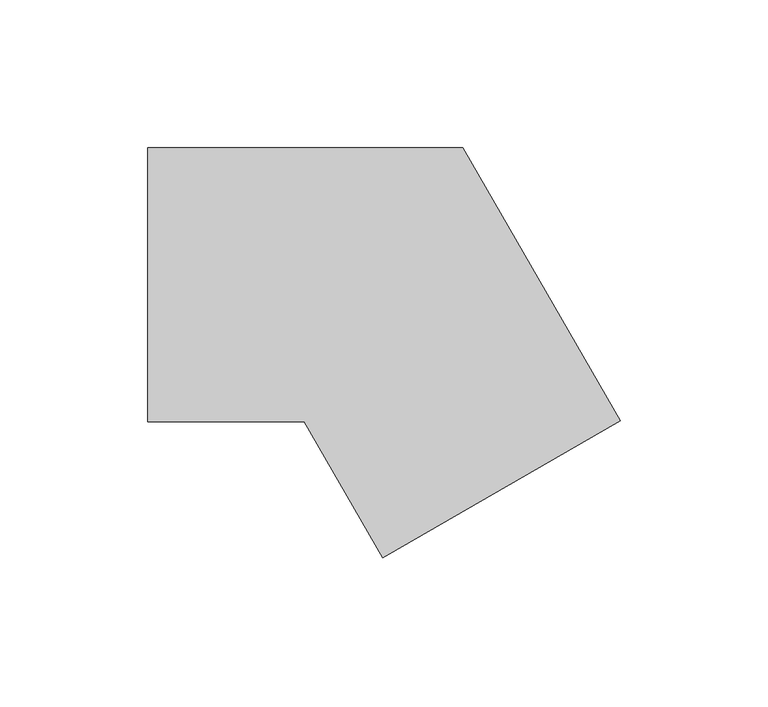
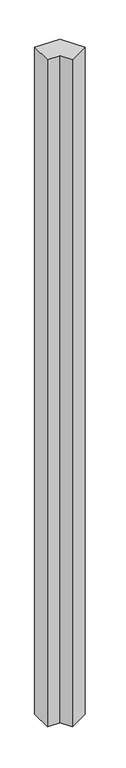
"""IFC4 building model written with IfcOpenShell, lengths in millimetres: member geometry."""

from ifc_helpers import new_model, si_unit, frame, origin, place, context, project, spatial, polyline, outline, extrude, source, transform, mapped, element, save


def member_b38fd509(model_context):
    return source(origin(), model_context, "Body", "SweptSolid", [
        extrude(outline(polyline([(-0.2701813, -92.5320323), (-26.8467875, -46.5), (-80.0, -46.5), (-80.0, 46.5), (26.8467875, 46.5), (80.2701813, -46.0320323), (-0.2701813, -92.5320323)])), frame((0.0, 0.0, -3000.0), z_axis=(0.0, 0.0, 1.0), x_axis=(1.0, 0.0, 0.0)), (0.0, 0.0, 1.0), 3000.0),
    ])


if __name__ == "__main__":
    model = new_model("IFC4")
    model_context = context("Model", 3, world=origin())
    ifc_project = project(units=[si_unit("LENGTHUNIT", "METRE", prefix="MILLI")], contexts=[model_context])
    site = spatial("IfcSite", under=ifc_project)
    building = spatial("IfcBuilding", under=site)
    placement = place(None, origin())
    member_shape = member_b38fd509(model_context)
    element("IfcMember", 1, at=placement, inside=building, context=model_context, shape_type="MappedRepresentation", body=[
        mapped(member_shape, transform((0.0, 0.0, 0.0), x_axis=(1.0, 0.0, 0.0), y_axis=(0.0, 1.0, 0.0), z_axis=(0.0, 0.0, 1.0))),
    ])
    save(model, "model.ifc")
